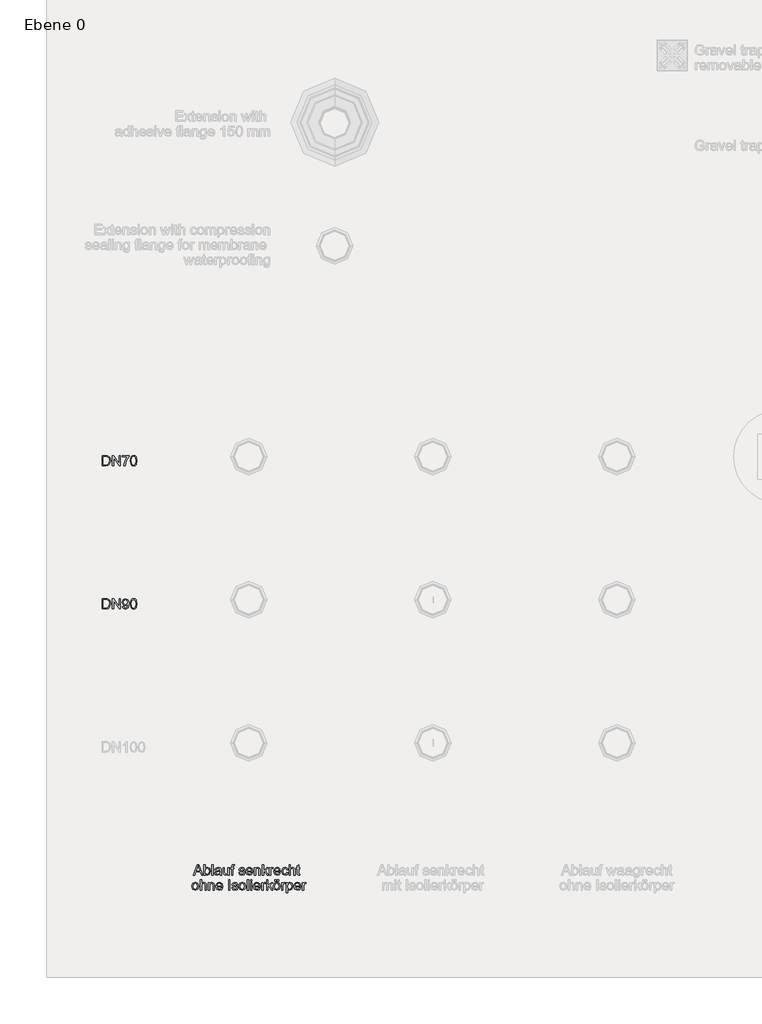
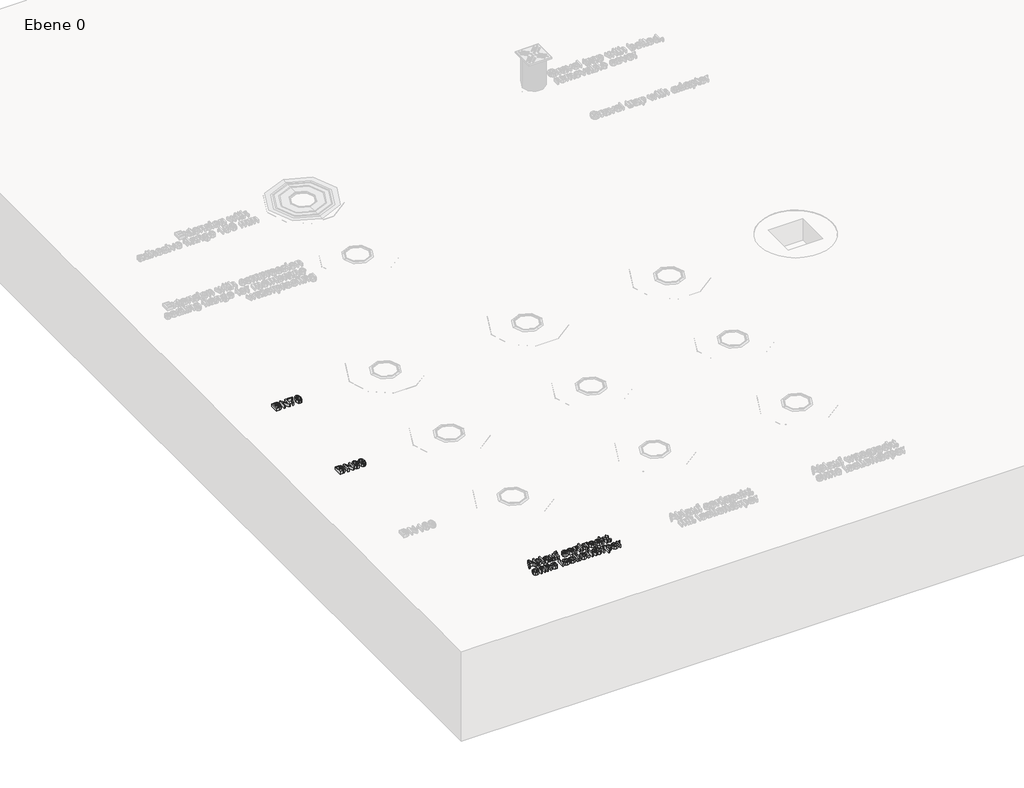
# One storey, part 2 of 12: 3 proxies.
"""IFC4 building model written with IfcOpenShell, lengths in millimetres."""

from ifc_helpers import new_model, si_unit, origin, origin_with_axes, place, context, project, spatial, polyline, outline, extrude, element, save

model = new_model("IFC4")

# Units and contexts
model_context = context("Model", 3, world=origin())
ifc_project = project(units=[si_unit("LENGTHUNIT", "METRE", prefix="MILLI")], contexts=[model_context])

# Site, building, storey
site = spatial("IfcSite", under=ifc_project)
building = spatial("IfcBuilding", under=site)
storey = spatial("IfcBuildingStorey", under=building, Name="Ebene 0", Elevation=0.0)

# Proxies
placement = place(None, origin())
element("IfcBuildingElementProxy", 1, Name="100mm ACO", ObjectType="100mm ACO", at=placement, inside=storey, context=model_context, shape_type="SweptSolid", body=[
    extrude(outline(polyline([(-29236.1303709, 19266.1663162), (-29219.0170383, 19266.1663162), (-29211.2752926, 19265.7006472), (-29205.0760752, 19263.4377874), (-29199.9027846, 19258.4827791), (-29196.4175439, 19251.2285305), (-29195.1515065, 19241.2966857), (-29200.3611775, 19223.026457), (-29207.4444382, 19217.6621694), (-29218.2748785, 19215.8740735), (-29236.1303709, 19215.8740735), (-29236.1303709, 19266.1663162)]), holes=[polyline([(-29229.6110061, 19221.4621005), (-29218.8860689, 19221.4621005), (-29213.0288271, 19221.8841129), (-29207.7973279, 19224.1615249), (-29203.4098536, 19230.2443251), (-29201.6708713, 19241.4422073), (-29202.3402703, 19248.6309711), (-29204.7995843, 19254.7210474), (-29208.9105677, 19258.7447178), (-29213.4362874, 19260.3017983), (-29219.0897991, 19260.5782892), (-29229.6110061, 19260.5782892), (-29229.6110061, 19221.4621005)])]), origin_with_axes(), (0.0, 0.0, 1.0), 20.0),
    extrude(outline(polyline([(-29146.7219395, 19215.8740735), (-29153.7069732, 19215.8740735), (-29179.1877941, 19255.2230967), (-29179.1877941, 19215.8740735), (-29185.8381282, 19215.8740735), (-29185.8381282, 19266.1663162), (-29178.8385424, 19266.1663162), (-29153.3722737, 19226.8463973), (-29153.3722737, 19266.1663162), (-29146.7219395, 19266.1663162), (-29146.7219395, 19215.8740735)])), origin_with_axes(), (0.0, 0.0, 1.0), 20.0),
    extrude(outline(polyline([(-29104.8117373, 19261.509627), (-29117.9013994, 19240.4599369), (-29124.3698316, 19215.8740735), (-29130.8891964, 19215.8740735), (-29125.54128, 19238.1825249), (-29112.9463911, 19260.5782892), (-29138.339899, 19260.5782892), (-29138.339899, 19265.2349783), (-29104.8117373, 19265.2349783), (-29104.8117373, 19261.509627)])), origin_with_axes(), (0.0, 0.0, 1.0), 20.0),
    extrude(outline(polyline([(-29082.4741816, 19266.1663162), (-29075.1335296, 19264.5637602), (-29069.8902068, 19259.7560925), (-29065.6955485, 19240.5254216), (-29070.0320903, 19221.2510942), (-29075.310884, 19216.5198253), (-29082.4741816, 19214.9427357), (-29089.8021004, 19216.5416535), (-29095.0363281, 19221.3384072), (-29099.2237103, 19240.5254216), (-29094.8871686, 19259.8215772), (-29089.6156509, 19264.5801314), (-29082.4741816, 19266.1663162)]), holes=[polyline([(-29082.4596294, 19219.5994248), (-29074.8051967, 19224.4962245), (-29072.2149133, 19240.5254216), (-29073.3499813, 19252.7055741), (-29076.7770135, 19259.326804), (-29082.5323902, 19261.509627), (-29090.1504426, 19256.5255144), (-29092.7043455, 19240.5254216), (-29091.5474493, 19228.4253059), (-29088.1204172, 19221.7822478), (-29082.4596294, 19219.5994248)])]), origin_with_axes(), (0.0, 0.0, 1.0), 20.0),
])
element("IfcBuildingElementProxy", 2, Name="100mm ACO", ObjectType="100mm ACO", at=placement, inside=storey, context=model_context, shape_type="SweptSolid", body=[
    extrude(outline(polyline([(-29236.1303709, 18566.1663162), (-29219.0170383, 18566.1663162), (-29211.2752926, 18565.7006472), (-29205.0760752, 18563.4377874), (-29199.9027846, 18558.4827791), (-29196.4175439, 18551.2285305), (-29195.1515065, 18541.2966857), (-29200.3611775, 18523.026457), (-29207.4444382, 18517.6621694), (-29218.2748785, 18515.8740735), (-29236.1303709, 18515.8740735), (-29236.1303709, 18566.1663162)]), holes=[polyline([(-29229.6110061, 18521.4621005), (-29218.8860689, 18521.4621005), (-29213.0288271, 18521.8841129), (-29207.7973279, 18524.1615249), (-29203.4098536, 18530.2443251), (-29201.6708713, 18541.4422073), (-29202.3402703, 18548.6309711), (-29204.7995843, 18554.7210474), (-29208.9105677, 18558.7447178), (-29213.4362874, 18560.3017983), (-29219.0897991, 18560.5782892), (-29229.6110061, 18560.5782892), (-29229.6110061, 18521.4621005)])]), origin_with_axes(), (0.0, 0.0, 1.0), 20.0),
    extrude(outline(polyline([(-29146.7219395, 18515.8740735), (-29153.7069732, 18515.8740735), (-29179.1877941, 18555.2230967), (-29179.1877941, 18515.8740735), (-29185.8381282, 18515.8740735), (-29185.8381282, 18566.1663162), (-29178.8385424, 18566.1663162), (-29153.3722737, 18526.8463973), (-29153.3722737, 18566.1663162), (-29146.7219395, 18566.1663162), (-29146.7219395, 18515.8740735)])), origin_with_axes(), (0.0, 0.0, 1.0), 20.0),
    extrude(outline(polyline([(-29111.2583413, 18539.2448321), (-29116.3661472, 18534.4644497), (-29123.3075244, 18532.6381544), (-29133.9597008, 18537.1929784), (-29138.339899, 18549.1111922), (-29133.8505597, 18561.3859337), (-29122.2888737, 18566.1663162), (-29109.99958, 18560.7310868), (-29106.108698, 18553.3113075), (-29104.8117373, 18541.9224283), (-29109.5484633, 18521.6440024), (-29115.302021, 18516.6180523), (-29123.0892421, 18514.9427357), (-29132.7082156, 18518.0568965), (-29137.4085612, 18527.5012442), (-29130.8891964, 18527.9814652), (-29128.1533916, 18521.6949349), (-29122.7108861, 18519.5994248), (-29114.1542199, 18524.8454762), (-29111.2583413, 18539.2448321)]), holes=[polyline([(-29121.939622, 18537.2948435), (-29114.8745515, 18540.6709431), (-29112.2624399, 18549.2276094), (-29114.9400361, 18557.9880059), (-29121.8086526, 18561.509627), (-29128.9173796, 18557.7697236), (-29131.8205343, 18548.718284), (-29128.9683122, 18540.4963173), (-29121.939622, 18537.2948435)])]), origin_with_axes(), (0.0, 0.0, 1.0), 20.0),
    extrude(outline(polyline([(-29082.4741816, 18566.1663162), (-29075.1335296, 18564.5637602), (-29069.8902068, 18559.7560925), (-29065.6955485, 18540.5254216), (-29070.0320903, 18521.2510942), (-29075.310884, 18516.5198253), (-29082.4741816, 18514.9427357), (-29089.8021004, 18516.5416535), (-29095.0363281, 18521.3384072), (-29099.2237103, 18540.5254216), (-29094.8871686, 18559.8215772), (-29089.6156509, 18564.5801314), (-29082.4741816, 18566.1663162)]), holes=[polyline([(-29082.4596294, 18519.5994248), (-29074.8051967, 18524.4962245), (-29072.2149133, 18540.5254216), (-29073.3499813, 18552.7055741), (-29076.7770135, 18559.326804), (-29082.5323902, 18561.509627), (-29090.1504426, 18556.5255144), (-29092.7043455, 18540.5254216), (-29091.5474493, 18528.4253059), (-29088.1204172, 18521.7822478), (-29082.4596294, 18519.5994248)])]), origin_with_axes(), (0.0, 0.0, 1.0), 20.0),
])
element("IfcBuildingElementProxy", 3, Name="50mm ACO", ObjectType="50mm ACO", at=placement, inside=storey, context=model_context, shape_type="SweptSolid", body=[
    extrude(outline(polyline([(-28742.9383281, 17214.466207), (-28749.8797053, 17214.466207), (-28755.9042969, 17229.3676122), (-28777.237754, 17229.3676122), (-28783.0295111, 17214.466207), (-28789.9708883, 17214.466207), (-28770.4273461, 17264.7584496), (-28763.2967909, 17264.7584496), (-28742.9383281, 17214.466207)]), holes=[polyline([(-28758.1744328, 17234.9556392), (-28765.4286814, 17253.3932177), (-28766.9202771, 17259.2577356), (-28769.2631738, 17249.915253), (-28775.0694831, 17234.9556392), (-28758.1744328, 17234.9556392)])]), origin_with_axes(), (0.0, 0.0, 1.0), 20.0),
    extrude(outline(polyline([(-28731.9077957, 17247.1940003), (-28722.1287485, 17251.71972), (-28711.0181793, 17246.597362), (-28706.8489873, 17233.2093807), (-28711.4329156, 17218.6062946), (-28722.1578528, 17213.5348691), (-28731.8641392, 17218.5117056), (-28731.9951086, 17214.466207), (-28738.5144734, 17214.466207), (-28738.5144734, 17264.7584496), (-28731.9951086, 17264.7584496), (-28731.9077957, 17247.1940003)]), holes=[polyline([(-28722.7690432, 17218.1915583), (-28716.0241201, 17221.9969464), (-28713.368352, 17232.6855032), (-28715.8131138, 17243.184882), (-28722.5653131, 17247.0630309), (-28729.4048253, 17243.0611887), (-28731.9951086, 17232.9328898), (-28730.9182492, 17224.4053278), (-28727.673119, 17220.0324057), (-28722.7690432, 17218.1915583)])]), origin_with_axes(), (0.0, 0.0, 1.0), 20.0),
    extrude(outline(polyline([(-28692.8789199, 17214.466207), (-28699.3982846, 17214.466207), (-28699.3982846, 17264.7584496), (-28692.8789199, 17264.7584496), (-28692.8789199, 17214.466207)])), origin_with_axes(), (0.0, 0.0, 1.0), 20.0),
    extrude(outline(polyline([(-28651.9000555, 17214.466207), (-28658.4194203, 17214.466207), (-28660.2820959, 17218.8609573), (-28673.3353776, 17213.5348691), (-28682.1903631, 17216.4452998), (-28685.4282172, 17224.1288369), (-28682.2558478, 17231.6741285), (-28671.2398675, 17235.5959339), (-28665.5354233, 17236.4690631), (-28660.2820959, 17237.7496526), (-28660.4494457, 17241.7878752), (-28661.42444, 17244.2399131), (-28664.0219994, 17246.2844907), (-28668.8387622, 17247.0630309), (-28674.9142863, 17245.4841222), (-28677.9775146, 17239.6123283), (-28684.4968794, 17240.4126967), (-28679.3526931, 17248.8820501), (-28667.9510808, 17251.71972), (-28658.2666226, 17249.7770075), (-28654.4685106, 17245.0912141), (-28653.7627311, 17238.0261436), (-28653.7627311, 17229.7168639), (-28653.4862402, 17219.5303564), (-28651.9000555, 17214.466207)]), holes=[polyline([(-28660.2820959, 17230.7646189), (-28660.2820959, 17233.0929635), (-28671.9893034, 17230.4153672), (-28677.1789652, 17228.3744277), (-28678.9088524, 17224.230702), (-28677.0461768, 17219.8941602), (-28671.6764321, 17218.1915583), (-28663.7236802, 17221.0437804), (-28660.2820959, 17230.7646189)])]), origin_with_axes(), (0.0, 0.0, 1.0), 20.0),
    extrude(outline(polyline([(-28614.6465424, 17214.466207), (-28620.2345693, 17214.466207), (-28620.2345693, 17219.7486387), (-28625.3860317, 17215.0883115), (-28631.9053965, 17213.5348691), (-28639.0068474, 17215.3029558), (-28643.3579413, 17220.1706512), (-28644.4493528, 17228.2179921), (-28644.4493528, 17250.7883822), (-28637.9299881, 17250.7883822), (-28637.9299881, 17230.1825328), (-28637.4788713, 17223.095634), (-28635.1214224, 17219.5740129), (-28630.5811505, 17218.1915583), (-28624.1709269, 17220.6654244), (-28621.1659072, 17230.9101405), (-28621.1659072, 17250.7883822), (-28614.6465424, 17250.7883822), (-28614.6465424, 17214.466207)])), origin_with_axes(), (0.0, 0.0, 1.0), 20.0),
    extrude(outline(polyline([(-28588.5690832, 17265.2095664), (-28589.3694517, 17261.0330983), (-28592.5418211, 17261.0330983), (-28595.7141906, 17259.963515), (-28596.9511237, 17254.6738072), (-28596.9511237, 17250.7883822), (-28591.3630967, 17250.7883822), (-28591.3630967, 17246.1316931), (-28596.9511237, 17246.1316931), (-28596.9511237, 17214.466207), (-28603.4704885, 17214.466207), (-28603.4704885, 17246.1316931), (-28609.0585154, 17246.1316931), (-28609.0585154, 17250.7883822), (-28603.4704885, 17250.7883822), (-28603.4704885, 17254.7756723), (-28602.9829913, 17259.7961653), (-28600.4145362, 17263.8707683), (-28593.9970365, 17265.6897874), (-28588.5690832, 17265.2095664)])), origin_with_axes(), (0.0, 0.0, 1.0), 20.0),
    extrude(outline(polyline([(-28545.7275432, 17240.5436661), (-28548.1359246, 17245.4331897), (-28553.7021233, 17247.0630309), (-28559.3920154, 17245.6660242), (-28561.5602862, 17241.6059733), (-28560.1268991, 17238.0115914), (-28553.3674238, 17236.0616028), (-28544.4542297, 17233.9660927), (-28539.9066818, 17230.7864472), (-28538.2768406, 17225.0892791), (-28542.3223393, 17216.8745884), (-28553.1345893, 17213.5348691), (-28564.1432935, 17216.3434348), (-28569.0109889, 17224.7545795), (-28562.4916241, 17225.6422609), (-28559.6757824, 17220.0469578), (-28553.1345893, 17218.1915583), (-28546.9499241, 17220.1197186), (-28544.7962054, 17224.8127881), (-28545.7639236, 17227.8178078), (-28548.1795811, 17229.5131337), (-28555.0118171, 17230.9683491), (-28565.5403002, 17234.8974305), (-28568.079651, 17241.2276173), (-28564.3179193, 17248.7583568), (-28554.1968965, 17251.71972), (-28543.6975178, 17249.1294367), (-28539.2081784, 17241.3731389), (-28545.7275432, 17240.5436661)])), origin_with_axes(), (0.0, 0.0, 1.0), 20.0),
    extrude(outline(polyline([(-28500.0919897, 17231.2302878), (-28527.1007866, 17231.2302878), (-28523.6883066, 17221.5385536), (-28516.1139107, 17218.1915583), (-28510.2421168, 17220.0469578), (-28506.6113544, 17225.6422609), (-28500.0919897, 17224.8855489), (-28505.7818817, 17216.4744042), (-28516.1139107, 17213.5348691), (-28528.9852905, 17218.5771903), (-28533.6201514, 17232.3508037), (-28529.1526403, 17246.3499754), (-28523.7719815, 17250.3772839), (-28516.5650275, 17251.71972), (-28508.9105947, 17249.9807377), (-28502.6604448, 17244.0580112), (-28500.0919897, 17231.2302878)]), holes=[polyline([(-28506.6113544, 17235.886977), (-28510.0456627, 17244.4436433), (-28516.7251012, 17247.0630309), (-28523.8556564, 17243.94887), (-28527.1007866, 17235.886977), (-28506.6113544, 17235.886977)])]), origin_with_axes(), (0.0, 0.0, 1.0), 20.0),
    extrude(outline(polyline([(-28462.8384766, 17214.466207), (-28469.3578414, 17214.466207), (-28469.3578414, 17237.0802536), (-28471.3005539, 17244.9238643), (-28476.7066789, 17247.0630309), (-28481.7490001, 17245.6951285), (-28485.1250997, 17241.8388078), (-28486.1219223, 17234.7955655), (-28486.1219223, 17214.466207), (-28492.641287, 17214.466207), (-28492.641287, 17250.7883822), (-28487.0532601, 17250.7883822), (-28487.0532601, 17245.7387849), (-28482.0764236, 17250.2281243), (-28475.4115372, 17251.71972), (-28469.6925409, 17250.6865171), (-28465.2686862, 17247.5941845), (-28463.253213, 17243.1994341), (-28462.8384766, 17236.8910756), (-28462.8384766, 17214.466207)])), origin_with_axes(), (0.0, 0.0, 1.0), 20.0),
    extrude(outline(polyline([(-28422.79095, 17214.466207), (-28429.2666583, 17214.466207), (-28442.3781487, 17233.5586324), (-28447.0057335, 17229.3676122), (-28447.0057335, 17214.466207), (-28453.5250983, 17214.466207), (-28453.5250983, 17264.7584496), (-28447.0057335, 17264.7584496), (-28447.0057335, 17236.6000325), (-28431.4349292, 17250.7883822), (-28423.4894534, 17250.7883822), (-28438.4199629, 17237.1966708), (-28422.79095, 17214.466207)])), origin_with_axes(), (0.0, 0.0, 1.0), 20.0),
    extrude(outline(polyline([(-28399.5075043, 17250.293609), (-28401.5448058, 17246.1316931), (-28405.823139, 17247.0630309), (-28410.843632, 17243.7887964), (-28412.5462339, 17234.6209396), (-28412.5462339, 17214.466207), (-28419.0655987, 17214.466207), (-28419.0655987, 17250.7883822), (-28413.4775717, 17250.7883822), (-28413.4775717, 17245.4040854), (-28405.7503782, 17251.71972), (-28399.5075043, 17250.293609)])), origin_with_axes(), (0.0, 0.0, 1.0), 20.0),
    extrude(outline(polyline([(-28364.1166669, 17231.2302878), (-28391.1254639, 17231.2302878), (-28387.7129839, 17221.5385536), (-28380.138588, 17218.1915583), (-28374.266794, 17220.0469578), (-28370.6360317, 17225.6422609), (-28364.1166669, 17224.8855489), (-28369.8065589, 17216.4744042), (-28380.138588, 17213.5348691), (-28393.0099678, 17218.5771903), (-28397.6448287, 17232.3508037), (-28393.1773175, 17246.3499754), (-28387.7966588, 17250.3772839), (-28380.5897047, 17251.71972), (-28372.935272, 17249.9807377), (-28366.685122, 17244.0580112), (-28364.1166669, 17231.2302878)]), holes=[polyline([(-28370.6360317, 17235.886977), (-28374.0703399, 17244.4436433), (-28380.7497784, 17247.0630309), (-28387.8803337, 17243.94887), (-28391.1254639, 17235.886977), (-28370.6360317, 17235.886977)])]), origin_with_axes(), (0.0, 0.0, 1.0), 20.0),
    extrude(outline(polyline([(-28325.931816, 17226.7627767), (-28331.5634994, 17216.7217908), (-28341.5317246, 17213.5348691), (-28354.0902331, 17218.7445401), (-28358.52864, 17232.5545338), (-28355.9965652, 17243.9634222), (-28349.6591024, 17249.9807377), (-28341.662694, 17251.71972), (-28331.8763707, 17248.874774), (-28326.8631538, 17240.5145618), (-28333.3825186, 17239.6123283), (-28336.3511579, 17245.1930792), (-28341.5899332, 17247.0630309), (-28349.3607832, 17243.2721949), (-28352.0092752, 17232.6855032), (-28349.3535071, 17221.9678421), (-28341.6917983, 17218.1915583), (-28335.3543354, 17220.5199028), (-28332.4511808, 17227.5049365), (-28325.931816, 17226.7627767)])), origin_with_axes(), (0.0, 0.0, 1.0), 20.0),
    extrude(outline(polyline([(-28292.4036542, 17214.466207), (-28298.923019, 17214.466207), (-28298.923019, 17237.9533828), (-28300.7784186, 17244.7856189), (-28306.315513, 17247.0630309), (-28312.8203257, 17244.3781586), (-28315.6870999, 17234.7955655), (-28315.6870999, 17214.466207), (-28322.2064647, 17214.466207), (-28322.2064647, 17264.7584496), (-28315.6870999, 17264.7584496), (-28315.6870999, 17246.7428835), (-28304.8457455, 17251.71972), (-28298.166307, 17250.2790568), (-28293.6915198, 17245.8479261), (-28292.4036542, 17237.5459225), (-28292.4036542, 17214.466207)])), origin_with_axes(), (0.0, 0.0, 1.0), 20.0),
    extrude(outline(polyline([(-28269.1202086, 17213.9568816), (-28273.6895848, 17213.5348691), (-28279.5177223, 17214.9828084), (-28281.7514778, 17218.6572272), (-28282.1589381, 17224.8564446), (-28282.1589381, 17246.1316931), (-28286.8156273, 17246.1316931), (-28286.8156273, 17250.7883822), (-28282.1589381, 17250.7883822), (-28282.1589381, 17260.0144476), (-28275.6395733, 17263.8271118), (-28275.6395733, 17250.7883822), (-28270.0515464, 17250.7883822), (-28270.0515464, 17246.1316931), (-28275.6395733, 17246.1316931), (-28275.6395733, 17223.5467508), (-28275.1156958, 17219.4139392), (-28272.4526517, 17218.1915583), (-28269.920577, 17218.1915583), (-28269.1202086, 17213.9568816)])), origin_with_axes(), (0.0, 0.0, 1.0), 20.0),
    extrude(outline(polyline([(-28780.4392277, 17178.4362744), (-28768.426425, 17173.6195115), (-28763.6605947, 17159.9259351), (-28764.9502793, 17150.7362501), (-28768.8193331, 17144.7043824), (-28780.4392277, 17140.2514235), (-28792.2046439, 17144.8280757), (-28795.9427283, 17150.7453452), (-28797.1887565, 17159.3438489), (-28792.3719937, 17173.7068245), (-28780.4392277, 17178.4362744)]), holes=[polyline([(-28780.4392277, 17144.9081126), (-28772.7920711, 17148.9463352), (-28770.1799595, 17159.5766834), (-28773.1340467, 17170.1997555), (-28780.4392277, 17173.7795852), (-28787.7953414, 17170.1488229), (-28790.6693917, 17159.3292968), (-28787.7444088, 17148.5388749), (-28780.4392277, 17144.9081126)])]), origin_with_axes(), (0.0, 0.0, 1.0), 20.0),
    extrude(outline(polyline([(-28726.4070816, 17141.1827613), (-28732.9264464, 17141.1827613), (-28732.9264464, 17164.6699371), (-28734.781846, 17171.5021732), (-28740.3189404, 17173.7795852), (-28746.8237531, 17171.0947129), (-28749.6905273, 17161.5121198), (-28749.6905273, 17141.1827613), (-28756.2098921, 17141.1827613), (-28756.2098921, 17191.4750039), (-28749.6905273, 17191.4750039), (-28749.6905273, 17173.4594379), (-28738.8491729, 17178.4362744), (-28732.1697344, 17176.9956112), (-28727.6949472, 17172.5644804), (-28726.4070816, 17164.2624768), (-28726.4070816, 17141.1827613)])), origin_with_axes(), (0.0, 0.0, 1.0), 20.0),
    extrude(outline(polyline([(-28687.2908929, 17141.1827613), (-28693.8102577, 17141.1827613), (-28693.8102577, 17163.7968079), (-28695.7529702, 17171.6404187), (-28701.1590952, 17173.7795852), (-28706.2014164, 17172.4116828), (-28709.577516, 17168.5553621), (-28710.5743386, 17161.5121198), (-28710.5743386, 17141.1827613), (-28717.0937034, 17141.1827613), (-28717.0937034, 17177.5049365), (-28711.5056764, 17177.5049365), (-28711.5056764, 17172.4553393), (-28706.5288399, 17176.9446786), (-28699.8639536, 17178.4362744), (-28694.1449572, 17177.4030715), (-28689.7211025, 17174.3107388), (-28687.7056293, 17169.9159885), (-28687.2908929, 17163.6076299), (-28687.2908929, 17141.1827613)])), origin_with_axes(), (0.0, 0.0, 1.0), 20.0),
    extrude(outline(polyline([(-28646.3120285, 17157.9468422), (-28673.3208255, 17157.9468422), (-28669.9083455, 17148.2551079), (-28662.3339496, 17144.9081126), (-28656.4621556, 17146.7635122), (-28652.8313933, 17152.3588152), (-28646.3120285, 17151.6021032), (-28652.0019205, 17143.1909585), (-28662.3339496, 17140.2514235), (-28675.2053294, 17145.2937447), (-28679.8401903, 17159.067358), (-28675.3726791, 17173.0665297), (-28669.9920204, 17177.0938382), (-28662.7850663, 17178.4362744), (-28655.1306336, 17176.697292), (-28648.8804836, 17170.7745655), (-28646.3120285, 17157.9468422)]), holes=[polyline([(-28652.8313933, 17162.6035313), (-28656.2657015, 17171.1601976), (-28662.94514, 17173.7795852), (-28670.0756952, 17170.6654244), (-28673.3208255, 17162.6035313), (-28652.8313933, 17162.6035313)])]), origin_with_axes(), (0.0, 0.0, 1.0), 20.0),
    extrude(outline(polyline([(-28610.9211911, 17141.1827613), (-28617.4405559, 17141.1827613), (-28617.4405559, 17191.4750039), (-28610.9211911, 17191.4750039), (-28610.9211911, 17141.1827613)])), origin_with_axes(), (0.0, 0.0, 1.0), 20.0),
    extrude(outline(polyline([(-28579.255705, 17167.2602204), (-28581.6640864, 17172.149744), (-28587.2302851, 17173.7795852), (-28592.9201771, 17172.3825785), (-28595.088448, 17168.3225277), (-28593.6550609, 17164.7281457), (-28586.8955856, 17162.7781572), (-28577.9823915, 17160.682647), (-28573.4348435, 17157.5030015), (-28571.8050023, 17151.8058334), (-28575.850501, 17143.5911427), (-28586.6627511, 17140.2514235), (-28597.6714553, 17143.0599891), (-28602.5391506, 17151.4711338), (-28596.0197858, 17152.3588152), (-28593.2039441, 17146.7635122), (-28586.6627511, 17144.9081126), (-28580.4780859, 17146.8362729), (-28578.3243671, 17151.5293425), (-28579.2920853, 17154.5343622), (-28581.7077428, 17156.2296881), (-28588.5399789, 17157.6849034), (-28599.068462, 17161.6139849), (-28601.6078128, 17167.9441717), (-28597.8460811, 17175.4749111), (-28587.7250583, 17178.4362744), (-28577.2256795, 17175.845991), (-28572.7363402, 17168.0896932), (-28579.255705, 17167.2602204)])), origin_with_axes(), (0.0, 0.0, 1.0), 20.0),
    extrude(outline(polyline([(-28550.3987845, 17178.4362744), (-28538.3859817, 17173.6195115), (-28533.6201514, 17159.9259351), (-28534.909836, 17150.7362501), (-28538.7788899, 17144.7043824), (-28550.3987845, 17140.2514235), (-28562.1642006, 17144.8280757), (-28565.9022851, 17150.7453452), (-28567.1483132, 17159.3438489), (-28562.3315504, 17173.7068245), (-28550.3987845, 17178.4362744)]), holes=[polyline([(-28550.3987845, 17144.9081126), (-28542.7516278, 17148.9463352), (-28540.1395162, 17159.5766834), (-28543.0936034, 17170.1997555), (-28550.3987845, 17173.7795852), (-28557.7548981, 17170.1488229), (-28560.6289484, 17159.3292968), (-28557.7039656, 17148.5388749), (-28550.3987845, 17144.9081126)])]), origin_with_axes(), (0.0, 0.0, 1.0), 20.0),
    extrude(outline(polyline([(-28519.650084, 17141.1827613), (-28526.1694488, 17141.1827613), (-28526.1694488, 17191.4750039), (-28519.650084, 17191.4750039), (-28519.650084, 17141.1827613)])), origin_with_axes(), (0.0, 0.0, 1.0), 20.0),
    extrude(outline(polyline([(-28503.817341, 17141.1827613), (-28510.3367058, 17141.1827613), (-28510.3367058, 17177.5049365), (-28503.817341, 17177.5049365), (-28503.817341, 17141.1827613)])), origin_with_axes(), (0.0, 0.0, 1.0), 20.0),
    extrude(outline(polyline([(-28503.817341, 17184.9556392), (-28510.3367058, 17184.9556392), (-28510.3367058, 17191.4750039), (-28503.817341, 17191.4750039), (-28503.817341, 17184.9556392)])), origin_with_axes(), (0.0, 0.0, 1.0), 20.0),
    extrude(outline(polyline([(-28462.8384766, 17157.9468422), (-28489.8472736, 17157.9468422), (-28486.4347936, 17148.2551079), (-28478.8603976, 17144.9081126), (-28472.9886037, 17146.7635122), (-28469.3578414, 17152.3588152), (-28462.8384766, 17151.6021032), (-28468.5283686, 17143.1909585), (-28478.8603976, 17140.2514235), (-28491.7317774, 17145.2937447), (-28496.3666384, 17159.067358), (-28491.8991272, 17173.0665297), (-28486.5184684, 17177.0938382), (-28479.3115144, 17178.4362744), (-28471.6570816, 17176.697292), (-28465.4069317, 17170.7745655), (-28462.8384766, 17157.9468422)]), holes=[polyline([(-28469.3578414, 17162.6035313), (-28472.7921496, 17171.1601976), (-28479.4715881, 17173.7795852), (-28486.6021433, 17170.6654244), (-28489.8472736, 17162.6035313), (-28469.3578414, 17162.6035313)])]), origin_with_axes(), (0.0, 0.0, 1.0), 20.0),
    extrude(outline(polyline([(-28435.8296796, 17177.0101633), (-28437.8669811, 17172.8482474), (-28442.1453142, 17173.7795852), (-28447.1658072, 17170.5053507), (-28448.8684092, 17161.3374939), (-28448.8684092, 17141.1827613), (-28455.387774, 17141.1827613), (-28455.387774, 17177.5049365), (-28449.799747, 17177.5049365), (-28449.799747, 17172.1206397), (-28442.0725535, 17178.4362744), (-28435.8296796, 17177.0101633)])), origin_with_axes(), (0.0, 0.0, 1.0), 20.0),
    extrude(outline(polyline([(-28401.37018, 17141.1827613), (-28407.8458883, 17141.1827613), (-28420.9573787, 17160.2751867), (-28425.5849635, 17156.0841665), (-28425.5849635, 17141.1827613), (-28432.1043283, 17141.1827613), (-28432.1043283, 17191.4750039), (-28425.5849635, 17191.4750039), (-28425.5849635, 17163.3165868), (-28410.0141592, 17177.5049365), (-28402.0686834, 17177.5049365), (-28416.9991929, 17163.9132251), (-28401.37018, 17141.1827613)])), origin_with_axes(), (0.0, 0.0, 1.0), 20.0),
    extrude(outline(polyline([(-28382.7579756, 17178.4362744), (-28370.7451729, 17173.6195115), (-28365.9793426, 17159.9259351), (-28367.2690272, 17150.7362501), (-28371.138081, 17144.7043824), (-28382.7579756, 17140.2514235), (-28394.5233917, 17144.8280757), (-28398.2614762, 17150.7453452), (-28399.5075043, 17159.3438489), (-28394.6907415, 17173.7068245), (-28382.7579756, 17178.4362744)]), holes=[polyline([(-28382.7579756, 17144.9081126), (-28375.1108189, 17148.9463352), (-28372.4987074, 17159.5766834), (-28375.4527945, 17170.1997555), (-28382.7579756, 17173.7795852), (-28390.1140892, 17170.1488229), (-28392.9881396, 17159.3292968), (-28390.0631567, 17148.5388749), (-28382.7579756, 17144.9081126)])]), origin_with_axes(), (0.0, 0.0, 1.0), 20.0),
    extrude(outline(polyline([(-28372.4987074, 17184.0243013), (-28379.0180721, 17184.0243013), (-28379.0180721, 17191.4750039), (-28372.4987074, 17191.4750039), (-28372.4987074, 17184.0243013)])), origin_with_axes(), (0.0, 0.0, 1.0), 20.0),
    extrude(outline(polyline([(-28385.5374369, 17184.0243013), (-28392.0568017, 17184.0243013), (-28392.0568017, 17191.4750039), (-28385.5374369, 17191.4750039), (-28385.5374369, 17184.0243013)])), origin_with_axes(), (0.0, 0.0, 1.0), 20.0),
    extrude(outline(polyline([(-28338.9705456, 17177.0101633), (-28341.0078471, 17172.8482474), (-28345.2861802, 17173.7795852), (-28350.3066732, 17170.5053507), (-28352.0092752, 17161.3374939), (-28352.0092752, 17141.1827613), (-28358.52864, 17141.1827613), (-28358.52864, 17177.5049365), (-28352.940613, 17177.5049365), (-28352.940613, 17172.1206397), (-28345.2134195, 17178.4362744), (-28338.9705456, 17177.0101633)])), origin_with_axes(), (0.0, 0.0, 1.0), 20.0),
    extrude(outline(polyline([(-28328.6603448, 17173.1247383), (-28318.539322, 17178.4362744), (-28307.5961025, 17173.2266034), (-28303.5797082, 17159.6494441), (-28308.1199801, 17145.4974748), (-28319.2669297, 17140.2514235), (-28328.5512036, 17144.5297566), (-28328.7258295, 17127.2126939), (-28335.2451943, 17127.2126939), (-28335.2451943, 17177.5049365), (-28328.7258295, 17177.5049365), (-28328.6603448, 17173.1247383)]), holes=[polyline([(-28319.9799852, 17144.9081126), (-28312.9003625, 17148.5825314), (-28310.0990729, 17159.5330269), (-28312.7984974, 17170.0906143), (-28319.7034943, 17173.7795852), (-28326.8558778, 17169.6686019), (-28329.6571673, 17159.0091494), (-28326.972295, 17148.4952184), (-28319.9799852, 17144.9081126)])]), origin_with_axes(), (0.0, 0.0, 1.0), 20.0),
    extrude(outline(polyline([(-28264.4635194, 17157.9468422), (-28291.4723164, 17157.9468422), (-28288.0598364, 17148.2551079), (-28280.4854405, 17144.9081126), (-28274.6136465, 17146.7635122), (-28270.9828842, 17152.3588152), (-28264.4635194, 17151.6021032), (-28270.1534115, 17143.1909585), (-28280.4854405, 17140.2514235), (-28293.3568203, 17145.2937447), (-28297.9916812, 17159.067358), (-28293.5241701, 17173.0665297), (-28288.1435113, 17177.0938382), (-28280.9365572, 17178.4362744), (-28273.2821245, 17176.697292), (-28267.0319745, 17170.7745655), (-28264.4635194, 17157.9468422)]), holes=[polyline([(-28270.9828842, 17162.6035313), (-28274.4171924, 17171.1601976), (-28281.0966309, 17173.7795852), (-28288.2271862, 17170.6654244), (-28291.4723164, 17162.6035313), (-28270.9828842, 17162.6035313)])]), origin_with_axes(), (0.0, 0.0, 1.0), 20.0),
    extrude(outline(polyline([(-28237.4547224, 17177.0101633), (-28239.4920239, 17172.8482474), (-28243.7703571, 17173.7795852), (-28248.79085, 17170.5053507), (-28250.493452, 17161.3374939), (-28250.493452, 17141.1827613), (-28257.0128168, 17141.1827613), (-28257.0128168, 17177.5049365), (-28251.4247898, 17177.5049365), (-28251.4247898, 17172.1206397), (-28243.6975963, 17178.4362744), (-28237.4547224, 17177.0101633)])), origin_with_axes(), (0.0, 0.0, 1.0), 20.0),
])

save(model, "model.ifc")
